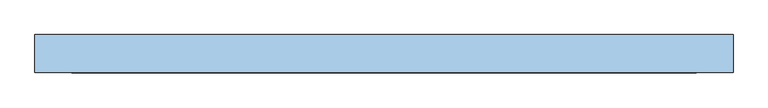
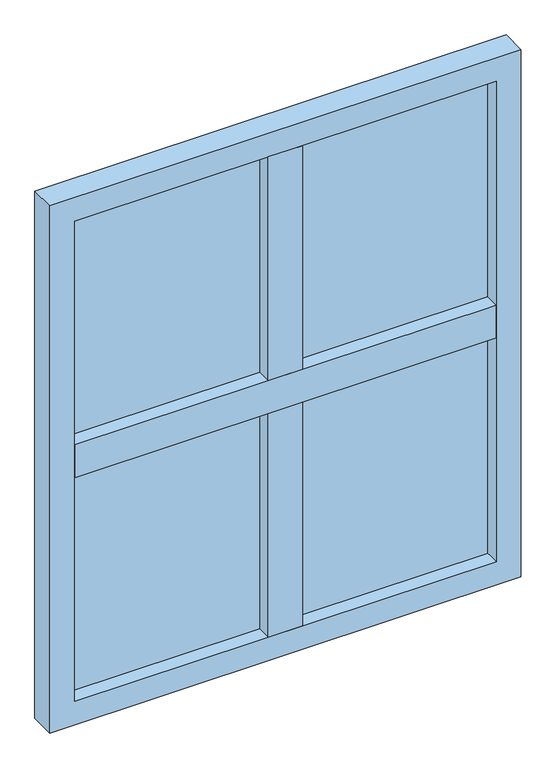
"""IFC4 building model written with IfcOpenShell, lengths in millimetres: window geometry."""

from ifc_helpers import new_model, si_unit, frame, origin, place, context, project, spatial, polyline, outline, extrude, source, transform, mapped, element, save


def window_3821cc4c(model_context):
    return source(origin(), model_context, "Body", "SweptSolid", [
        extrude(outline(polyline([(-492.0, -30.0), (-492.0, 30.0), (492.0, 30.0), (492.0, -30.0), (-492.0, -30.0)])), frame((0.0, 0.0, 1509.8), z_axis=(0.0, 0.0, 1.0), x_axis=(1.0, 0.0, 0.0)), (0.0, 0.0, 1.0), 80.4),
        extrude(outline(polyline([(492.0, 4.0), (-492.0, 4.0), (-492.0, 10.0), (492.0, 10.0), (492.0, 4.0)])), frame((0.0, 0.0, 958.0), z_axis=(0.0, 0.0, 1.0), x_axis=(1.0, 0.0, 0.0)), (0.0, 0.0, 1.0), 1184.0),
        extrude(outline(polyline([(492.0, 16.0), (-492.0, 16.0), (-492.0, 22.0), (492.0, 22.0), (492.0, 16.0)])), frame((0.0, 0.0, 958.0), z_axis=(0.0, 0.0, 1.0), x_axis=(1.0, 0.0, 0.0)), (0.0, 0.0, 1.0), 1184.0),
        extrude(outline(polyline([(-40.2, 30.0), (40.2, 30.0), (40.2, -30.0), (-40.2, -30.0), (-40.2, 30.0)])), frame((0.0, 0.0, 958.0), z_axis=(0.0, 0.0, 1.0), x_axis=(1.0, 0.0, 0.0)), (0.0, 0.0, 1.0), 1184.0),
        extrude(outline(polyline([(900.0, -550.0), (900.0, 550.0), (2200.0, 550.0), (2200.0, -550.0), (900.0, -550.0)]), holes=[polyline([(2142.0, -492.0), (2142.0, 492.0), (958.0, 492.0), (958.0, -492.0), (2142.0, -492.0)])]), frame((0.0, -30.0, 0.0), z_axis=(0.0, 1.0, 0.0), x_axis=(0.0, 0.0, 1.0)), (0.0, 0.0, 1.0), 60.0),
    ])


if __name__ == "__main__":
    model = new_model("IFC4")
    model_context = context("Model", 3, world=origin())
    ifc_project = project(units=[si_unit("LENGTHUNIT", "METRE", prefix="MILLI")], contexts=[model_context])
    site = spatial("IfcSite", under=ifc_project)
    building = spatial("IfcBuilding", under=site)
    placement = place(None, origin())
    window_shape = window_3821cc4c(model_context)
    element("IfcWindow", 1, at=placement, inside=building, context=model_context, shape_type="MappedRepresentation", body=[
        mapped(window_shape, transform((0.0, 0.0, 0.0), x_axis=(1.0, 0.0, 0.0), y_axis=(0.0, 1.0, 0.0), z_axis=(0.0, 0.0, 1.0))),
    ])
    save(model, "model.ifc")
